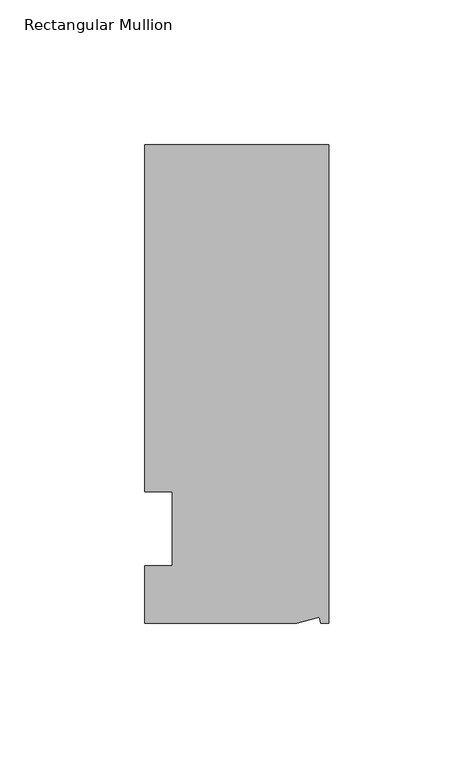
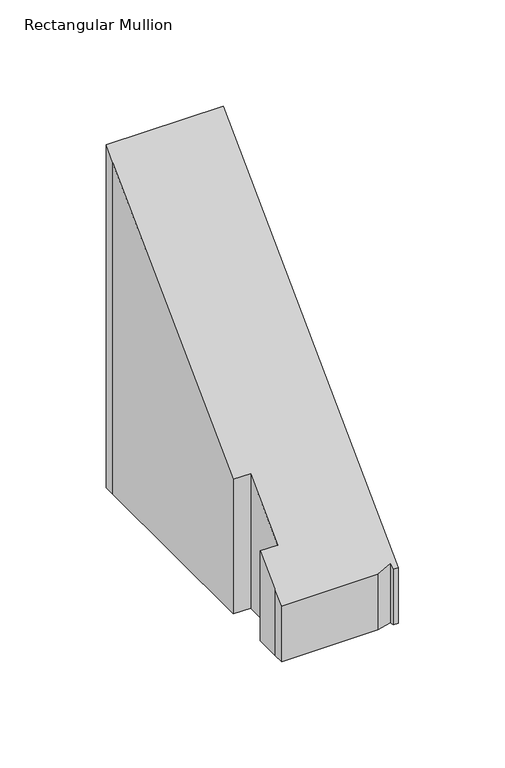
"""IFC4 building model written with IfcOpenShell, lengths in millimetres: member geometry, Rectangular Mullion."""

from ifc_helpers import new_model, si_unit, origin, place, context, project, spatial, faceted_brep, source, transform, mapped, element, save


def rectangular_mullion_bbe5a9d5(model_context):
    return source(origin(), model_context, "Body", "Brep", [
        faceted_brep([(0.0, 132.5561012, -64.44615), (0.0, -32.5438988, -64.44615), (-2.7630634, -32.5438988, -64.44615), (-3.3223696, -30.4565397, -64.44615), (-11.1125, -32.5438988, -64.44615), (-63.5076469, -32.5438988, -64.44615), (-63.5076469, -26.1938988, -64.44615), (-63.5, -12.7, -64.44615), (-53.975, -12.7, -64.44615), (-53.975, 12.8488281, -64.44615), (-63.5, 12.8488281, -64.44615), (-63.5, 126.2061012, -64.44615), (-63.5, 132.5561012, -64.44615), (0.0, 132.5561012, 132.5561012), (0.0, -32.5438988, -32.5438988), (-63.5, 132.5561012, 132.5561012), (-63.5, 12.8488281, 12.8488281), (-63.5, 126.2061012, 126.2061012), (-53.975, 12.8488281, 12.8488281), (-53.975, -12.7, -12.7), (-63.5, -12.7, -12.7), (-63.5, -26.1938988, -26.1938988), (-11.1125, -32.5438988, -32.5438988), (-63.5076469, -32.5438988, -32.5438988), (-3.3223696, -30.4565397, -30.4565397), (-2.7630634, -32.5438988, -32.5438988)], [[[0, 1, 2, 3, 4, 5, 6, 7, 8, 9, 10, 11, 12]], [[13, 14, 1, 0]], [[15, 13, 0, 12]], [[16, 17, 11, 10]], [[18, 16, 10, 9]], [[19, 18, 9, 8]], [[20, 19, 8, 7]], [[21, 20, 7, 6]], [[22, 23, 5, 4]], [[24, 22, 4, 3]], [[25, 24, 3, 2]], [[14, 25, 2, 1]], [[13, 15, 17, 16, 18, 19, 20, 21, 23, 22, 24, 25, 14]], [[17, 15, 12, 11]], [[23, 21, 6, 5]]]),
    ])


if __name__ == "__main__":
    model = new_model("IFC4")
    model_context = context("Model", 3, world=origin())
    ifc_project = project(units=[si_unit("LENGTHUNIT", "METRE", prefix="MILLI")], contexts=[model_context])
    site = spatial("IfcSite", under=ifc_project)
    building = spatial("IfcBuilding", under=site)
    placement = place(None, origin())
    rectangular_mullion_shape = rectangular_mullion_bbe5a9d5(model_context)
    element("IfcMember", 1, ObjectType="Rectangular Mullion", at=placement, inside=building, context=model_context, shape_type="MappedRepresentation", body=[
        mapped(rectangular_mullion_shape, transform((0.0, 0.0, 0.0), x_axis=(1.0, 0.0, 0.0), y_axis=(0.0, 1.0, 0.0), z_axis=(0.0, 0.0, 1.0))),
    ])
    save(model, "model.ifc")
